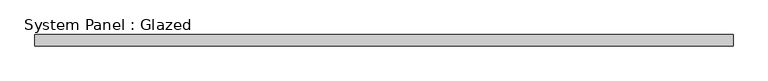
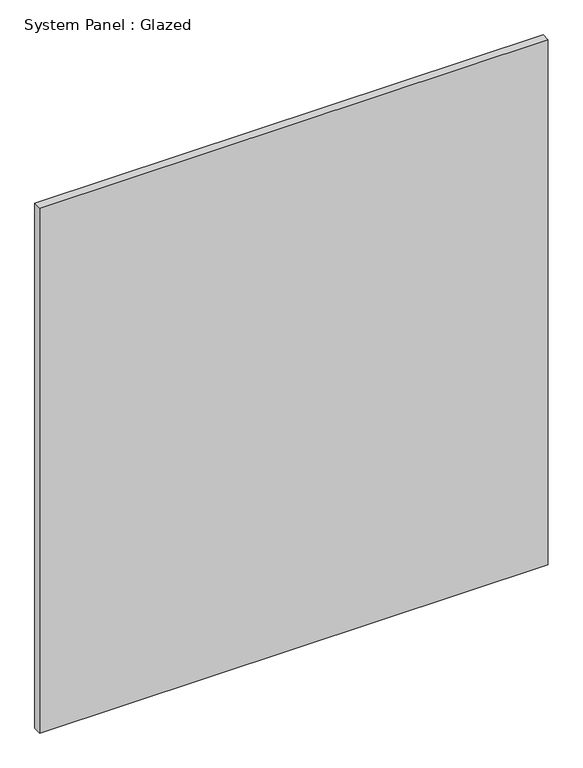
"""IFC4 building model written with IfcOpenShell, lengths in millimetres: plate geometry, System Panel : Glazed."""

from ifc_helpers import new_model, si_unit, origin, origin_with_axes, place, context, project, spatial, polyline, outline, extrude, source, transform, mapped, element, save


def system_panel_glazed_4899d95e(model_context):
    return source(origin(), model_context, "Body", "SweptSolid", [
        extrude(outline(polyline([(781.562846, 24.5), (-781.562846, 24.5), (-781.562846, 49.5), (781.562846, 49.5), (781.562846, 24.5)])), origin_with_axes(), (0.0, 0.0, 1.0), 1705.0),
    ])


if __name__ == "__main__":
    model = new_model("IFC4")
    model_context = context("Model", 3, world=origin())
    ifc_project = project(units=[si_unit("LENGTHUNIT", "METRE", prefix="MILLI")], contexts=[model_context])
    site = spatial("IfcSite", under=ifc_project)
    building = spatial("IfcBuilding", under=site)
    placement = place(None, origin())
    system_panel_glazed_shape = system_panel_glazed_4899d95e(model_context)
    element("IfcPlate", 1, ObjectType="System Panel : Glazed", at=placement, inside=building, context=model_context, shape_type="MappedRepresentation", body=[
        mapped(system_panel_glazed_shape, transform((0.0, 0.0, 0.0), x_axis=(1.0, 0.0, 0.0), y_axis=(0.0, 1.0, 0.0), z_axis=(0.0, 0.0, 1.0))),
    ])
    save(model, "model.ifc")
